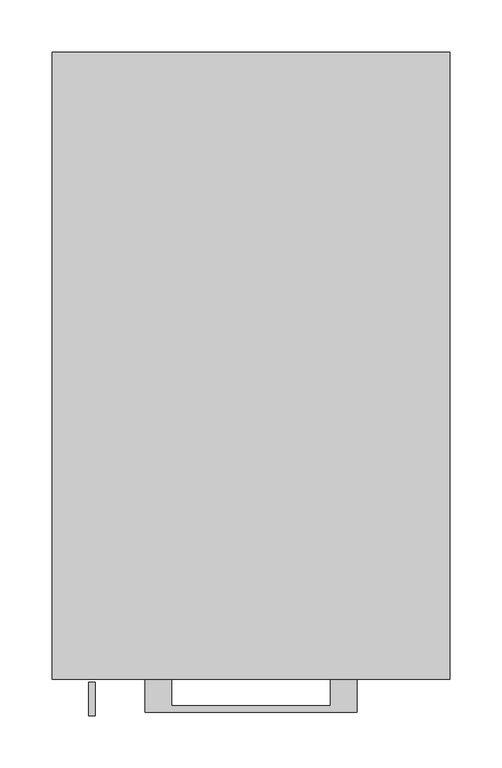
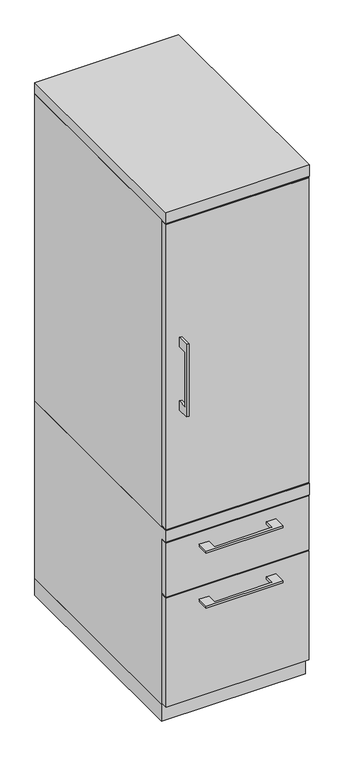
"""IFC4 building model written with IfcOpenShell, lengths in millimetres: furniture geometry."""

from ifc_helpers import new_model, si_unit, frame, origin, origin_with_axes, place, context, project, spatial, polyline, outline, extrude, faceted_brep, source, transform, mapped, element, save


def furniture_12ce5eec(model_context):
    return source(origin(), model_context, "Body", "SolidModel", [
        extrude(outline(polyline([(-603.25, 1050.13125), (-628.6499758, 1050.13125), (-628.6499758, 897.73125), (-603.25, 897.73125), (-603.25, 872.33125), (-634.9999879, 872.33125), (-634.9999879, 1075.53125), (-603.25, 1075.53125), (-603.25, 1050.13125)])), frame((-155.5749879, 0.0, 0.0), z_axis=(1.0, 0.0, 0.0), x_axis=(0.0, 1.0, 0.0)), (0.0, 0.0, 1.0), 6.3499758),
        extrude(outline(polyline([(188.9125, -600.075), (-188.9125, -600.075), (-188.9125, -581.025), (188.9125, -581.025), (188.9125, -600.075)])), frame((0.0, 0.0, 547.6875), z_axis=(0.0, 0.0, 1.0), x_axis=(1.0, 0.0, 0.0)), (0.0, 0.0, 1.0), 852.4875),
        extrude(outline(polyline([(-76.1999818, -600.075), (-76.1999818, -625.4749758), (76.2, -625.4749758), (76.2, -600.075), (101.5999939, -600.075), (101.5999939, -631.8249879), (-101.5999939, -631.8249879), (-101.5999939, -600.075), (-76.1999818, -600.075)])), frame((0.0, 0.0, 469.9000506), z_axis=(0.0, 0.0, 1.0), x_axis=(1.0, 0.0, 0.0)), (0.0, 0.0, 1.0), 6.3499758),
        extrude(outline(polyline([(188.9125, -581.025), (188.9125, -600.075), (-188.9125, -600.075), (-188.9125, -581.025), (188.9125, -581.025)])), frame((0.0, 0.0, 358.775), z_axis=(0.0, 0.0, 1.0), x_axis=(1.0, 0.0, 0.0)), (0.0, 0.0, 1.0), 150.8125),
        extrude(outline(polyline([(-76.1999818, -600.075), (-76.1999818, -625.4749758), (76.2, -625.4749758), (76.2, -600.075), (101.5999939, -600.075), (101.5999939, -631.8249879), (-101.5999939, -631.8249879), (-101.5999939, -600.075), (-76.1999818, -600.075)])), frame((0.0, 0.0, 315.9125506), z_axis=(0.0, 0.0, 1.0), x_axis=(1.0, 0.0, 0.0)), (0.0, 0.0, 1.0), 6.3499758),
        extrude(outline(polyline([(188.9125, -581.025), (188.9125, -600.075), (-188.9125, -600.075), (-188.9125, -581.025), (188.9125, -581.025)])), frame((0.0, 0.0, 50.8), z_axis=(0.0, 0.0, 1.0), x_axis=(1.0, 0.0, 0.0)), (0.0, 0.0, 1.0), 304.8),
        extrude(outline(polyline([(188.9125, -581.025), (188.9125, -600.075), (-188.9125, -600.075), (-188.9125, -581.025), (188.9125, -581.025)])), frame((0.0, 0.0, 544.5125), z_axis=(0.0, 0.0, 1.0), x_axis=(1.0, 0.0, 0.0)), (0.0, 0.0, 1.0), 858.8375),
        extrude(outline(polyline([(-171.45, 0.0), (-171.45, -581.025), (-190.5, -581.025), (-190.5, 0.0), (-171.45, 0.0)])), frame((0.0, 0.0, 544.5125), z_axis=(0.0, 0.0, 1.0), x_axis=(1.0, 0.0, 0.0)), (0.0, 0.0, 1.0), 858.8375),
        extrude(outline(polyline([(190.5, -581.025), (171.45, -581.025), (171.45, 0.0), (190.5, 0.0), (190.5, -581.025)])), frame((0.0, 0.0, 544.5125), z_axis=(0.0, 0.0, 1.0), x_axis=(1.0, 0.0, 0.0)), (0.0, 0.0, 1.0), 858.8375),
        extrude(outline(polyline([(171.45, -19.05), (-171.45, -19.05), (-171.45, 0.0), (171.45, 0.0), (171.45, -19.05)])), frame((0.0, 0.0, 47.625), z_axis=(0.0, 0.0, 1.0), x_axis=(1.0, 0.0, 0.0)), (0.0, 0.0, 1.0), 1355.725),
        faceted_brep([(-171.45, 0.0, 544.5125), (-190.5, 0.0, 544.5125), (-190.5, -600.075, 544.5125), (190.5, -600.075, 544.5125), (190.5, 0.0, 544.5125), (171.45, 0.0, 544.5125), (171.45, -19.05, 544.5125), (-171.45, -19.05, 544.5125), (-171.45, 0.0, 47.625), (-171.45, -581.025, 47.625), (-190.5, -581.025, 47.625), (-190.5, 0.0, 47.625), (-190.5, -581.025, 512.7625), (-190.5, -600.075, 512.7625), (-171.45, -581.025, 512.7625), (-171.45, -19.05, 512.7625), (190.5, -600.075, 512.7625), (171.45, -19.05, 512.7625), (171.45, -581.025, 512.7625), (190.5, -581.025, 512.7625), (190.5, -581.025, 47.625), (190.5, 0.0, 47.625), (171.45, -581.025, 47.625), (171.45, 0.0, 47.625)], [[[0, 1, 2, 3, 4, 5, 6, 7]], [[8, 9, 10, 11]], [[1, 0, 8, 11]], [[11, 10, 12, 13, 2, 1]], [[10, 9, 14, 12]], [[9, 8, 0, 7, 15, 14]], [[16, 13, 12, 14, 15, 17, 18, 19]], [[15, 7, 6, 17]], [[3, 2, 13, 16]], [[4, 3, 16, 19, 20, 21]], [[21, 20, 22, 23]], [[5, 4, 21, 23]], [[23, 22, 18, 17, 6, 5]], [[22, 20, 19, 18]]]),
        extrude(outline(polyline([(190.5, 0.0), (190.5, -600.075), (-190.5, -600.075), (-190.5, 0.0), (190.5, 0.0)])), frame((0.0, 0.0, 1403.35), z_axis=(0.0, 0.0, 1.0), x_axis=(1.0, 0.0, 0.0)), (0.0, 0.0, 1.0), 31.75),
        extrude(outline(polyline([(190.5, 0.0), (190.5, -581.025), (-190.5, -581.025), (-190.5, 0.0), (190.5, 0.0)])), origin_with_axes(), (0.0, 0.0, 1.0), 47.625),
    ])


if __name__ == "__main__":
    model = new_model("IFC4")
    model_context = context("Model", 3, world=origin())
    ifc_project = project(units=[si_unit("LENGTHUNIT", "METRE", prefix="MILLI")], contexts=[model_context])
    site = spatial("IfcSite", under=ifc_project)
    building = spatial("IfcBuilding", under=site)
    placement = place(None, origin())
    furniture_shape = furniture_12ce5eec(model_context)
    element("IfcFurniture", 1, at=placement, inside=building, context=model_context, shape_type="MappedRepresentation", body=[
        mapped(furniture_shape, transform((0.0, 0.0, 0.0), x_axis=(1.0, 0.0, 0.0), y_axis=(0.0, 1.0, 0.0), z_axis=(0.0, 0.0, 1.0))),
    ])
    save(model, "model.ifc")
